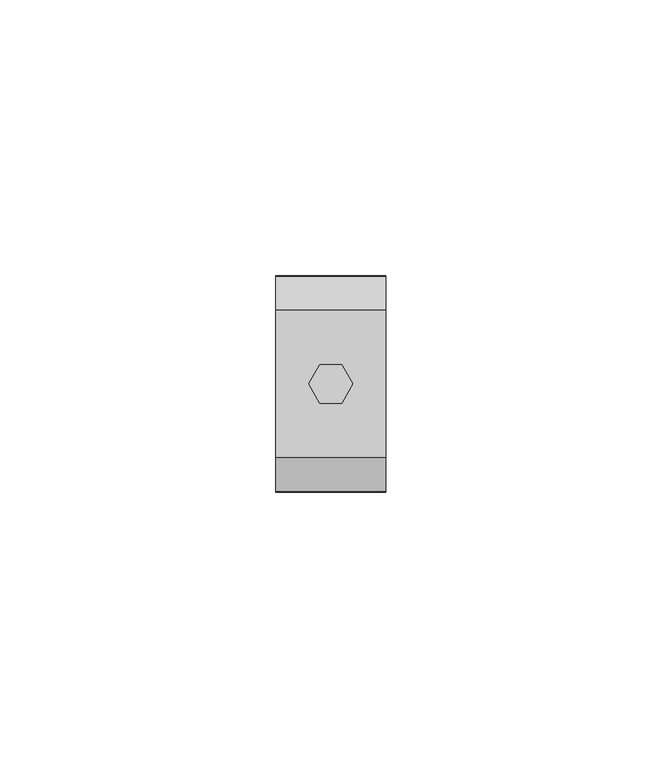
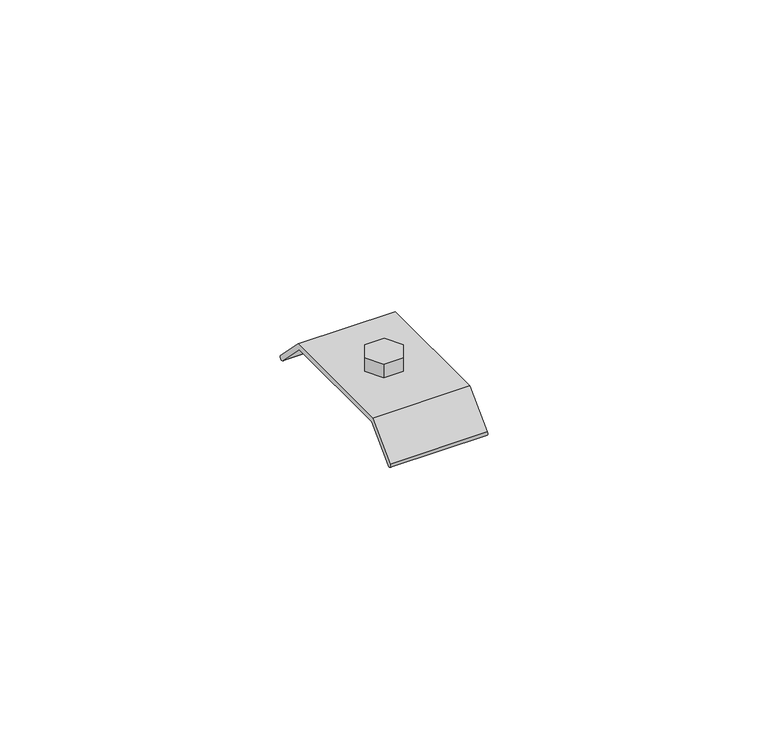
"""IFC4 building model written with IfcOpenShell, lengths in millimetres: beam geometry."""

from ifc_helpers import new_model, si_unit, point, frame, frame_2d, origin, place, context, project, spatial, polyline, circle_curve, trimmed, segment, composite_curve, outline, extrude, source, transform, mapped, element, save


def beam_1d38929b(model_context):
    return source(origin(), model_context, "Body", "SweptSolid", [
        extrude(outline(polyline([(2.0, 3.4641016), (4.0, 0.0), (2.0, -3.4641016), (-2.0, -3.4641016), (-4.0, 0.0), (-2.0, 3.4641016), (2.0, 3.4641016)])), frame((0.0, 0.0, -25.7896475), z_axis=(0.0, 0.0, 1.0), x_axis=(1.0, 0.0, 0.0)), (0.0, 0.0, 1.0), 3.0),
        extrude(outline(composite_curve([segment(polyline([(12.9190556, -26.7896475), (-12.9190556, -26.7896475), (-18.7907838, -32.7590875)]), True, "CONTINUOUS"), segment(trimmed(circle_curve(frame_2d((-19.1472668, -32.4084397)), 0.500034), [point((-18.7907838, -32.7590875))], [point((-19.4979146, -32.0519567))], False, "CARTESIAN"), True, "CONTINUOUS"), segment(polyline([(-19.4979146, -32.0519567), (-13.3381112, -25.7896475), (13.3381112, -25.7896475), (19.4979146, -32.0519567)]), True, "CONTINUOUS"), segment(trimmed(circle_curve(frame_2d((19.1472668, -32.4084397)), 0.500034), [point((19.4979146, -32.0519567))], [point((18.7907838, -32.7590875))], False, "CARTESIAN"), True, "CONTINUOUS"), segment(polyline([(18.7907838, -32.7590875), (12.9190556, -26.7896475)]), True, "CONTINUOUS")], self_intersect=False)), frame((-10.003063, 0.0, 0.0), z_axis=(1.0, 0.0, 0.0), x_axis=(0.0, 1.0, 0.0)), (0.0, 0.0, 1.0), 20.0061261),
    ])


if __name__ == "__main__":
    model = new_model("IFC4")
    model_context = context("Model", 3, world=origin())
    ifc_project = project(units=[si_unit("LENGTHUNIT", "METRE", prefix="MILLI")], contexts=[model_context])
    site = spatial("IfcSite", under=ifc_project)
    building = spatial("IfcBuilding", under=site)
    placement = place(None, origin())
    beam_shape = beam_1d38929b(model_context)
    element("IfcBeam", 1, at=placement, inside=building, context=model_context, shape_type="MappedRepresentation", body=[
        mapped(beam_shape, transform((0.0, 0.0, 0.0), x_axis=(1.0, 0.0, 0.0), y_axis=(0.0, 1.0, 0.0), z_axis=(0.0, 0.0, 1.0))),
    ])
    save(model, "model.ifc")
